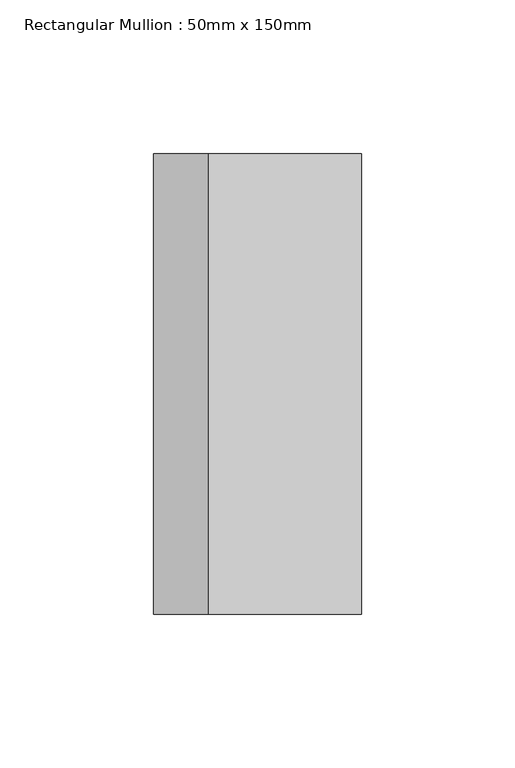
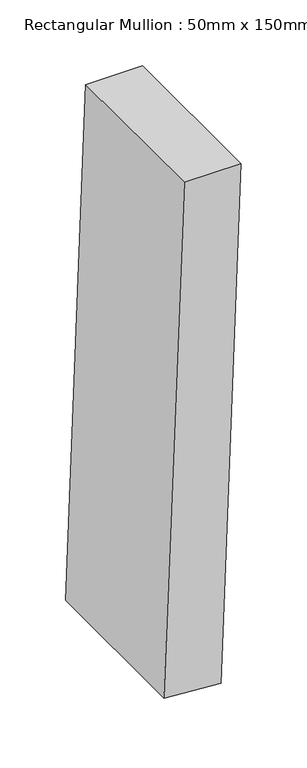
"""IFC4 building model written with IfcOpenShell, lengths in millimetres: member geometry, Rectangular Mullion : 50mm x 150mm."""

from ifc_helpers import new_model, si_unit, point, frame, frame_2d, origin, place, context, project, spatial, polyline, circle_curve, trimmed, segment, composite_curve, outline, extrude, source, transform, mapped, element, save


def rectangular_mullion_50mm_x_150mm_2849ae12(model_context):
    return source(origin(), model_context, "Body", "SweptSolid", [
        extrude(outline(composite_curve([segment(trimmed(circle_curve(frame_2d((0.0, -6346.1004829)), 6346.1004829), [point((-476.6285826, -17.9240842))], [point((0.0, 0.0))], False, "CARTESIAN"), True, "CONTINUOUS"), segment(polyline([(0.0, 0.0), (0.0, -50.0)]), True, "CONTINUOUS"), segment(trimmed(circle_curve(frame_2d((0.0, -6346.1004829)), 6296.1004829), [point((0.0, -50.0))], [point((-472.8732956, -67.7828629))], True, "CARTESIAN"), True, "CONTINUOUS"), segment(polyline([(-472.8732956, -67.7828629), (-476.6285826, -17.9240842)]), True, "CONTINUOUS")], self_intersect=False)), frame((0.0, -75.0, 0.0), z_axis=(0.0, 1.0, 0.0), x_axis=(0.0, 0.0, 1.0)), (0.0, 0.0, 1.0), 150.0),
    ])


if __name__ == "__main__":
    model = new_model("IFC4")
    model_context = context("Model", 3, world=origin())
    ifc_project = project(units=[si_unit("LENGTHUNIT", "METRE", prefix="MILLI")], contexts=[model_context])
    site = spatial("IfcSite", under=ifc_project)
    building = spatial("IfcBuilding", under=site)
    placement = place(None, origin())
    rectangular_mullion_50mm_x_150mm_shape = rectangular_mullion_50mm_x_150mm_2849ae12(model_context)
    element("IfcMember", 1, ObjectType="Rectangular Mullion : 50mm x 150mm", at=placement, inside=building, context=model_context, shape_type="MappedRepresentation", body=[
        mapped(rectangular_mullion_50mm_x_150mm_shape, transform((0.0, 0.0, 0.0), x_axis=(1.0, 0.0, 0.0), y_axis=(0.0, 1.0, 0.0), z_axis=(0.0, 0.0, 1.0))),
    ])
    save(model, "model.ifc")
